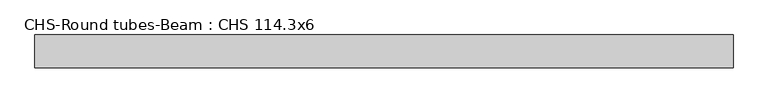
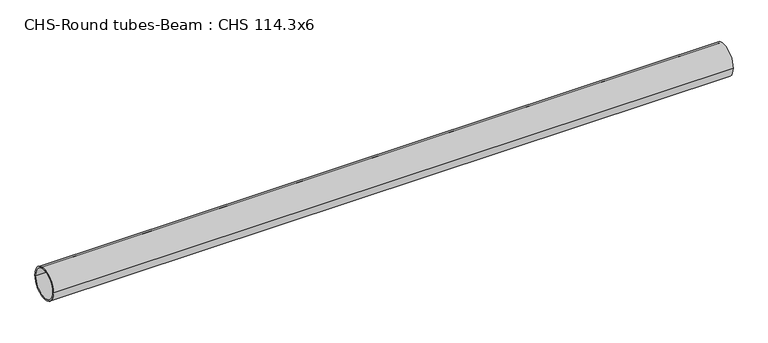
"""IFC4 building model written with IfcOpenShell, lengths in millimetres: beam geometry, CHS-Round tubes-Beam : CHS 114.3x6."""

from ifc_helpers import new_model, si_unit, point, frame, origin, origin_2d, place, context, project, spatial, circle_curve, trimmed, segment, composite_curve, outline, extrude, source, transform, mapped, element, save


def chs_round_tubes_beam_chs_114_3x6_3c7c4e24(model_context):
    return source(origin(), model_context, "Body", "SweptSolid", [
        extrude(outline(composite_curve([segment(trimmed(circle_curve(origin_2d(), 57.15), [point((57.15, 0.0))], [point((-57.15, 0.0))], False, "CARTESIAN"), True, "CONTINUOUS"), segment(trimmed(circle_curve(origin_2d(), 57.15), [point((-57.15, 0.0))], [point((57.15, 0.0))], False, "CARTESIAN"), True, "CONTINUOUS")], self_intersect=False), holes=[composite_curve([segment(trimmed(circle_curve(origin_2d(), 51.15), [point((51.15, 0.0))], [point((-51.15, 0.0))], True, "CARTESIAN"), True, "CONTINUOUS"), segment(trimmed(circle_curve(origin_2d(), 51.15), [point((-51.15, 0.0))], [point((51.15, 0.0))], True, "CARTESIAN"), True, "CONTINUOUS")], self_intersect=False)]), frame((-1218.5383613, 0.0, 0.0), z_axis=(1.0, 0.0, 0.0), x_axis=(0.0, 1.0, 0.0)), (0.0, 0.0, 1.0), 2431.303867),
    ])


if __name__ == "__main__":
    model = new_model("IFC4")
    model_context = context("Model", 3, world=origin())
    ifc_project = project(units=[si_unit("LENGTHUNIT", "METRE", prefix="MILLI")], contexts=[model_context])
    site = spatial("IfcSite", under=ifc_project)
    building = spatial("IfcBuilding", under=site)
    placement = place(None, origin())
    chs_round_tubes_beam_chs_114_3x6_shape = chs_round_tubes_beam_chs_114_3x6_3c7c4e24(model_context)
    element("IfcBeam", 1, ObjectType="CHS-Round tubes-Beam : CHS 114.3x6", at=placement, inside=building, context=model_context, shape_type="MappedRepresentation", body=[
        mapped(chs_round_tubes_beam_chs_114_3x6_shape, transform((0.0, 0.0, 0.0), x_axis=(1.0, 0.0, 0.0), y_axis=(0.0, 1.0, 0.0), z_axis=(0.0, 0.0, 1.0))),
    ])
    save(model, "model.ifc")
